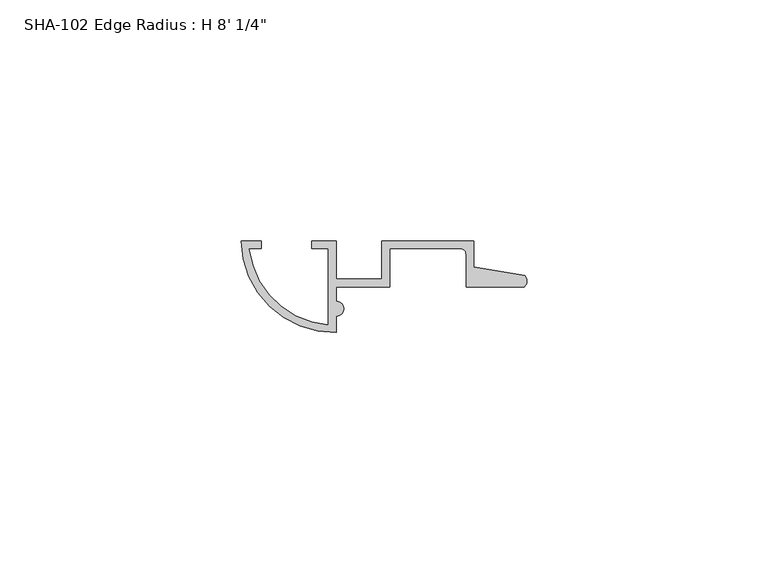
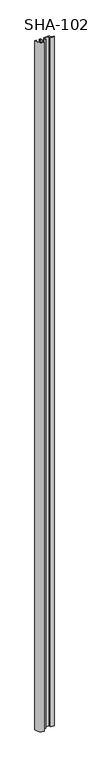
"""IFC4 building model written with IfcOpenShell, lengths in millimetres: proxy geometry."""

from ifc_helpers import new_model, si_unit, point, frame_2d, origin, origin_with_axes, place, context, project, spatial, polyline, circle_curve, trimmed, segment, composite_curve, outline, extrude, source, transform, mapped, element, save


def proxy_f5b24b9c(model_context):
    return source(origin(), model_context, "Body", "SweptSolid", [
        extrude(outline(composite_curve([segment(polyline([(19.685, 19.685), (19.685, 11.7348), (29.21, 11.7348), (29.21, 19.685), (48.2346, 19.685), (48.2346, 14.292343), (58.8106869, 12.4813692)]), True, "CONTINUOUS"), segment(trimmed(circle_curve(frame_2d((57.6538454, 11.3526765)), 1.6162393), [point((58.8106869, 12.4813692))], [point((58.7446031, 10.16))], False, "CARTESIAN"), True, "CONTINUOUS"), segment(polyline([(58.7446031, 10.16), (46.6598, 10.16), (46.6598, 16.8402)]), True, "CONTINUOUS"), segment(trimmed(circle_curve(frame_2d((45.3898, 16.8402)), 1.27), [point((46.6598, 16.8402))], [point((45.3898, 18.1102))], True, "CARTESIAN"), True, "CONTINUOUS"), segment(polyline([(45.3898, 18.1102), (30.7848, 18.1102), (30.7848, 10.16), (19.685, 10.16), (19.685, 7.1707375)]), True, "CONTINUOUS"), segment(trimmed(circle_curve(frame_2d((19.685, 5.5959375)), 1.5748), [point((19.685, 7.1707375))], [point((19.685, 4.0211375))], False, "CARTESIAN"), True, "CONTINUOUS"), segment(polyline([(19.685, 4.0211375), (19.685, 0.635)]), True, "CONTINUOUS"), segment(trimmed(circle_curve(frame_2d((19.4361537, 20.073187)), 19.4397798), [point((19.685, 0.635))], [point((0.00025, 19.685))], False, "CARTESIAN"), True, "CONTINUOUS"), segment(polyline([(0.00025, 19.685), (4.1859022, 19.685), (4.1859022, 18.1102), (1.6301126, 18.1102)]), True, "CONTINUOUS"), segment(trimmed(circle_curve(frame_2d((19.374142, 20.073187)), 17.8522798), [point((1.6301126, 18.1102))], [point((18.1102, 2.265707))], True, "CARTESIAN"), True, "CONTINUOUS"), segment(polyline([(18.1102, 2.265707), (18.1102, 18.1102), (14.605, 18.1102), (14.605, 19.685), (19.685, 19.685)]), True, "CONTINUOUS")], self_intersect=False)), origin_with_axes(), (0.0, 0.0, 1.0), 2444.75),
    ])


if __name__ == "__main__":
    model = new_model("IFC4")
    model_context = context("Model", 3, world=origin())
    ifc_project = project(units=[si_unit("LENGTHUNIT", "METRE", prefix="MILLI")], contexts=[model_context])
    site = spatial("IfcSite", under=ifc_project)
    building = spatial("IfcBuilding", under=site)
    placement = place(None, origin())
    proxy_shape = proxy_f5b24b9c(model_context)
    element("IfcBuildingElementProxy", 1, Name="SHA-102 Edge Radius : H 8' 1/4\"", ObjectType="SHA-102 Edge Radius : H 8' 1/4\"", at=placement, inside=building, context=model_context, shape_type="MappedRepresentation", body=[
        mapped(proxy_shape, transform((0.0, 0.0, 0.0), x_axis=(1.0, 0.0, 0.0), y_axis=(0.0, 1.0, 0.0), z_axis=(0.0, 0.0, 1.0))),
    ])
    save(model, "model.ifc")
